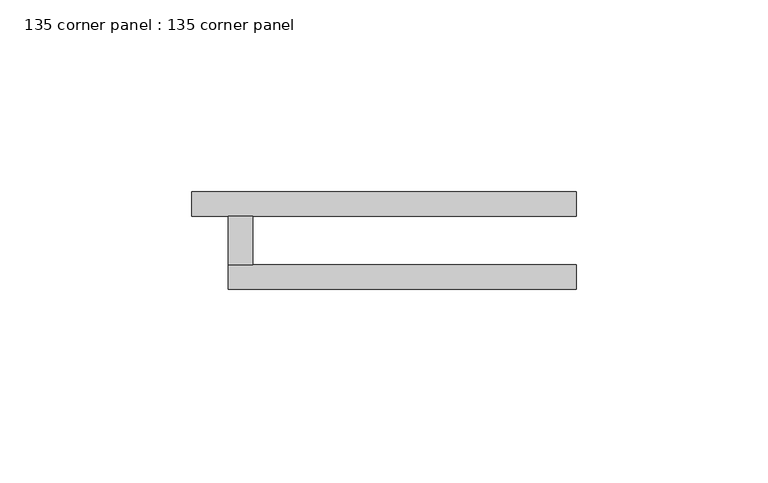
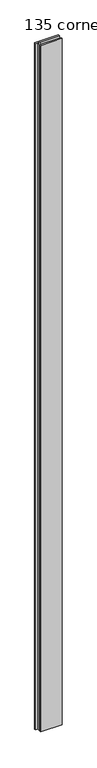
"""IFC4 building model written with IfcOpenShell, lengths in millimetres: plate geometry, 135 corner panel : 135 corner panel."""

import ifcopenshell
import ifcopenshell.guid

model = None  # the IFC model being written
_history = None  # IfcOwnerHistory: only IFC2X3 demands one
_inside = {}  # id of a spatial element -> (the spatial element, [elements in it])
_under = {}  # id of a project, library or spatial element -> (it, [spatial elements below it])
_declared = {}  # id of a project -> (the project, [libraries it declares])
_typed = {}  # id of a type object -> (the type object, [elements of that type])
_made_of = {}  # id of a material, layer set ... -> (it, [elements and type objects made of it])


def new_model(schema):
    """Start an empty IFC model of exactly this schema.

    Asked for "IFC4X3", IfcOpenShell would pick the latest addendum, in which some entities
    have other attributes; the version numbers below select the first issue.
    IFC2X3 requires an IfcOwnerHistory on every rooted entity: one is made here for all.
    """
    global model, _history
    if schema == "IFC4X3":
        model = ifcopenshell.file(schema_version=(4, 3, 0, 0))
    else:
        model = ifcopenshell.file(schema=schema)
    _inside.clear()
    _under.clear()
    _declared.clear()
    _typed.clear()
    _made_of.clear()
    _history = None
    if model.schema == "IFC2X3":
        org = make("IfcOrganization", Name="unknown")
        user = make(
            "IfcPersonAndOrganization",
            ThePerson=make("IfcPerson", FamilyName="unknown"),
            TheOrganization=org,
        )
        app = make(
            "IfcApplication",
            ApplicationDeveloper=org,
            Version="unknown",
            ApplicationFullName="unknown",
            ApplicationIdentifier="unknown",
        )
        _history = make(
            "IfcOwnerHistory",
            OwningUser=user,
            OwningApplication=app,
            ChangeAction="ADDED",
            CreationDate=0,
        )
    return model


def make(cls, **values):
    """One entity of the class cls with the attributes given. An attribute that is None is left unset."""
    return model.create_entity(
        cls, **{name: value for name, value in values.items() if value is not None}
    )


def rooted(cls, **values):
    """An entity with a GlobalId (a new one), such as an element, a storey or a relation."""
    return make(cls, GlobalId=ifcopenshell.guid.new(), OwnerHistory=_history, **values)


def si_unit(unit_type, name, prefix=None):
    """IfcSIUnit, for example si_unit("LENGTHUNIT", "METRE", prefix="MILLI")."""
    return make("IfcSIUnit", UnitType=unit_type, Prefix=prefix, Name=name)


def assignment(units):
    """IfcUnitAssignment: the units of a project."""
    return None if units is None else make("IfcUnitAssignment", Units=units)


def point(xyz):
    """IfcCartesianPoint."""
    return None if xyz is None else make("IfcCartesianPoint", Coordinates=xyz)


def direction(xyz):
    """IfcDirection."""
    return None if xyz is None else make("IfcDirection", DirectionRatios=xyz)


def frame(location, z_axis=None, x_axis=None):
    """IfcAxis2Placement3D, a coordinate frame: its origin and axes. An axis left out is left unset."""
    return make(
        "IfcAxis2Placement3D",
        Location=point(location),
        Axis=direction(z_axis),
        RefDirection=direction(x_axis),
    )


def origin():
    """The frame at (0, 0, 0) with its axes left unset."""
    return frame((0.0, 0.0, 0.0))


def origin_with_axes():
    """The frame at (0, 0, 0) with the z axis (0, 0, 1) and the x axis (1, 0, 0) written out."""
    return frame((0.0, 0.0, 0.0), z_axis=(0.0, 0.0, 1.0), x_axis=(1.0, 0.0, 0.0))


def place(relative_to, where):
    """IfcLocalPlacement: puts the frame where relative to a parent placement (None: the world)."""
    return make(
        "IfcLocalPlacement", PlacementRelTo=relative_to, RelativePlacement=where
    )


def context(
    kind, dimensions, precision=None, world=None, true_north=None, identifier=None
):
    """IfcGeometricRepresentationContext, for example the 3D "Model" context."""
    return make(
        "IfcGeometricRepresentationContext",
        ContextIdentifier=identifier,
        ContextType=kind,
        CoordinateSpaceDimension=dimensions,
        Precision=precision,
        WorldCoordinateSystem=world,
        TrueNorth=true_north,
    )


def project(units=None, contexts=None):
    """IfcProject with its units and contexts."""
    return rooted(
        "IfcProject",
        Name="project",
        RepresentationContexts=contexts,
        UnitsInContext=assignment(units),
    )


def spatial(cls, under=None, at=None, **own):
    """A site, building, storey or space (cls), placed at a placement, below another one or the project."""
    s = rooted(cls, ObjectPlacement=at, **own)
    if under is not None:
        _under.setdefault(under.id(), (under, []))[1].append(s)
    return s


def polyline(points):
    """IfcPolyline through the points."""
    return make("IfcPolyline", Points=[point(p) for p in points])


def outline(outer, holes=None, kind="AREA"):
    """IfcArbitraryClosedProfileDef: a profile drawn as a closed curve; with holes, ...WithVoids."""
    if holes is None:
        return make("IfcArbitraryClosedProfileDef", ProfileType=kind, OuterCurve=outer)
    return make(
        "IfcArbitraryProfileDefWithVoids",
        ProfileType=kind,
        OuterCurve=outer,
        InnerCurves=holes,
    )


def extrude(swept, where, along, depth):
    """IfcExtrudedAreaSolid: the profile swept, set in the frame where, extruded along a direction by depth."""
    return make(
        "IfcExtrudedAreaSolid",
        SweptArea=swept,
        Position=where,
        ExtrudedDirection=direction(along),
        Depth=depth,
    )


def shape(context_of_items, identifier, shape_type, items):
    """IfcShapeRepresentation: the items that make up one representation, for example the "Body"."""
    return make(
        "IfcShapeRepresentation",
        ContextOfItems=context_of_items,
        RepresentationIdentifier=identifier,
        RepresentationType=shape_type,
        Items=items,
    )


def source(mapping_origin, context_of_items, identifier, shape_type, items):
    """IfcRepresentationMap: a shape defined once, which mapped items show again and again."""
    return make(
        "IfcRepresentationMap",
        MappingOrigin=mapping_origin,
        MappedRepresentation=shape(context_of_items, identifier, shape_type, items),
    )


def transform(
    local_origin,
    x_axis=None,
    y_axis=None,
    z_axis=None,
    scale=None,
    scale2=None,
    scale3=None,
    uniform=True,
):
    """IfcCartesianTransformationOperator3D, or its non-uniform kind. x_axis, y_axis, z_axis: its Axis1, 2, 3."""
    if uniform:
        return make(
            "IfcCartesianTransformationOperator3D",
            Axis1=direction(x_axis),
            Axis2=direction(y_axis),
            LocalOrigin=point(local_origin),
            Scale=scale,
            Axis3=direction(z_axis),
        )
    return make(
        "IfcCartesianTransformationOperator3DnonUniform",
        Axis1=direction(x_axis),
        Axis2=direction(y_axis),
        LocalOrigin=point(local_origin),
        Scale=scale,
        Axis3=direction(z_axis),
        Scale2=scale2,
        Scale3=scale3,
    )


def mapped(mapping_source, mapping_target):
    """IfcMappedItem: shows the shape of a source again, moved by a transform."""
    return make(
        "IfcMappedItem", MappingSource=mapping_source, MappingTarget=mapping_target
    )


def made_of(thing, what):
    """Note that an element or type object is made of a material, layer set ...; save() writes the relation."""
    if what is not None:
        _made_of.setdefault(what.id(), (what, []))[1].append(thing)
    return thing


def element(
    cls,
    number,
    at=None,
    inside=None,
    cuts=None,
    type_object=None,
    material=None,
    context=None,
    identifier="Body",
    shape_type=None,
    held_by="IfcProductDefinitionShape",
    body=None,
    shapes=None,
    **own,
):
    """One element of the class cls, such as IfcWall. Its Tag is "e" and its number.

    at: its placement. inside: the storey or other place that contains it. cuts: it is an
    opening in that element (IfcRelVoidsElement). A single representation is given by context,
    identifier, shape_type and body (its items); several are given by shapes. held_by: the class
    of the entity that holds the representations. save() writes the other relations.
    """
    e = rooted(cls, Tag="e%d" % number, ObjectPlacement=at, **own)
    if body is not None:
        shapes = [shape(context, identifier, shape_type, body)]
    if shapes is not None:
        e.Representation = make(held_by, Representations=shapes)
    if inside is not None:
        _inside.setdefault(inside.id(), (inside, []))[1].append(e)
    if cuts is not None:
        rooted(
            "IfcRelVoidsElement", RelatingBuildingElement=cuts, RelatedOpeningElement=e
        )
    if type_object is not None:
        _typed.setdefault(type_object.id(), (type_object, []))[1].append(e)
    return made_of(e, material)


def aggregate(whole, parts):
    """IfcRelAggregates: a whole, such as a stair, and the parts it consists of."""
    return rooted("IfcRelAggregates", RelatingObject=whole, RelatedObjects=parts)


def save(model, path):
    """Write the relations noted so far, then the file.

    IfcRelAggregates (storeys below a building ...), IfcRelContainedInSpatialStructure (elements
    in a storey), IfcRelDefinesByType, IfcRelAssociatesMaterial and IfcRelDeclares: one each for
    every whole, place, type object, material and project.
    """
    for whole, parts in _under.values():
        aggregate(whole, parts)
    for where, things in _inside.values():
        rooted(
            "IfcRelContainedInSpatialStructure",
            RelatedElements=things,
            RelatingStructure=where,
        )
    for kind, things in _typed.values():
        rooted("IfcRelDefinesByType", RelatedObjects=things, RelatingType=kind)
    for what, things in _made_of.values():
        rooted("IfcRelAssociatesMaterial", RelatedObjects=things, RelatingMaterial=what)
    for by, libraries in _declared.values():
        rooted("IfcRelDeclares", RelatingContext=by, RelatedDefinitions=libraries)
    model.write(path)


def plate_135_corner_panel_135_corner_panel_07b76694(model_context):
    return source(origin(), model_context, "Body", "SweptSolid", [
        extrude(outline(polyline([(15.875, -19.05), (9.525, -19.05), (9.525, -6.35), (15.875, -6.35), (15.875, -19.05)])), origin_with_axes(), (0.0, 0.0, 1.0), 3048.0),
        extrude(outline(polyline([(100.2452198, 0.0), (100.2452198, -6.35), (0.0, -6.35), (0.0, 0.0), (100.2452198, 0.0)])), origin_with_axes(), (0.0, 0.0, 1.0), 3048.0),
        extrude(outline(polyline([(100.2452198, -19.05), (100.2452198, -25.4), (9.525, -25.4), (9.525, -19.05), (100.2452198, -19.05)])), origin_with_axes(), (0.0, 0.0, 1.0), 3048.0),
    ])


if __name__ == "__main__":
    model = new_model("IFC4")
    model_context = context("Model", 3, world=origin())
    ifc_project = project(units=[si_unit("LENGTHUNIT", "METRE", prefix="MILLI")], contexts=[model_context])
    site = spatial("IfcSite", under=ifc_project)
    building = spatial("IfcBuilding", under=site)
    placement = place(None, origin())
    plate_135_corner_panel_135_corner_panel_shape = plate_135_corner_panel_135_corner_panel_07b76694(model_context)
    element("IfcPlate", 1, ObjectType="135 corner panel : 135 corner panel", at=placement, inside=building, context=model_context, shape_type="MappedRepresentation", body=[
        mapped(plate_135_corner_panel_135_corner_panel_shape, transform((0.0, 0.0, 0.0), x_axis=(1.0, 0.0, 0.0), y_axis=(0.0, 1.0, 0.0), z_axis=(0.0, 0.0, 1.0))),
    ])
    save(model, "model.ifc")
